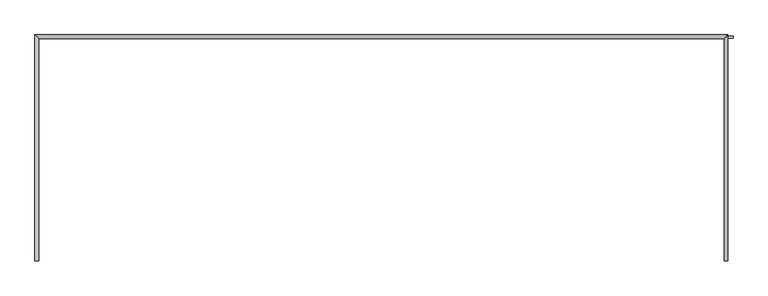
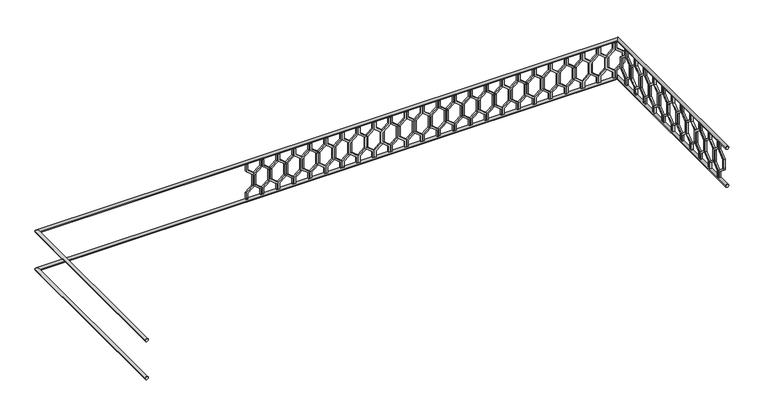
"""IFC4 building model written with IfcOpenShell, lengths in millimetres: railing geometry."""

from ifc_helpers import new_model, si_unit, frame, origin, place, context, project, spatial, polyline, circle_curve, ellipse_curve, outline, extrude, source, transform, mapped, element, save
from ifc_brep_helpers import plane_surface, cylinder_surface, advanced_brep


def railing_7b67fbbc(model_context):
    return source(origin(), model_context, "Body", "SolidModel", [
        advanced_brep(
        [(42360.0112841, 903.1079487, 18780.0), (42320.0112841, 903.1079487, 18780.0), (42320.0112841, 3283.1079487, 18780.0), (42360.0112841, 3243.1079487, 18780.0), (49600.0112841, 3283.1079487, 18780.0), (49560.0112841, 3243.1079487, 18780.0), (49560.0112841, 903.1079487, 18780.0), (49600.0112841, 903.1079487, 18780.0)],
        [
            (0, 1, circle_curve(frame((42340.0112841, 903.1079487, 18780.0), z_axis=(0.0, -1.0, 0.0), x_axis=(-1.0, 0.0, 0.0)), 20.0)),
            (1, 0, circle_curve(frame((42340.0112841, 903.1079487, 18780.0), z_axis=(0.0, -1.0, 0.0), x_axis=(-1.0, 0.0, 0.0)), 20.0)),
            (1, 2),
            (2, 3, ellipse_curve(frame((42340.0112841, 3263.1079487, 18780.0), z_axis=(-0.7071067811865475, -0.7071067811865476, 0.0), x_axis=(0.7071067811865476, -0.7071067811865475, 0.0)), 28.2842712, 20.0)),
            (3, 0),
            (3, 2, ellipse_curve(frame((42340.0112841, 3263.1079487, 18780.0), z_axis=(-0.7071067811865475, -0.7071067811865476, 0.0), x_axis=(0.7071067811865476, -0.7071067811865475, 0.0)), 28.2842712, 20.0)),
            (2, 4),
            (4, 5, ellipse_curve(frame((49580.0112841, 3263.1079487, 18780.0), z_axis=(-0.7071067811865481, 0.7071067811865469, 0.0), x_axis=(-0.7071067811865469, -0.7071067811865481, 0.0)), 28.2842712, 20.0)),
            (5, 3),
            (5, 4, ellipse_curve(frame((49580.0112841, 3263.1079487, 18780.0), z_axis=(-0.7071067811865481, 0.7071067811865469, 0.0), x_axis=(-0.7071067811865469, -0.7071067811865481, 0.0)), 28.2842712, 20.0)),
            (6, 7, circle_curve(frame((49580.0112841, 903.1079487, 18780.0), z_axis=(0.0, -1.0, 0.0), x_axis=(1.0, 0.0, 0.0)), 20.0)),
            (7, 6, circle_curve(frame((49580.0112841, 903.1079487, 18780.0), z_axis=(0.0, -1.0, 0.0), x_axis=(1.0, 0.0, 0.0)), 20.0)),
            (4, 7),
            (6, 5),
        ],
        [
            plane_surface(frame((42340.0112841, 903.1079487, 18800.0), z_axis=(0.0, -1.0, 0.0), x_axis=(0.0, 0.0, 1.0))),
            cylinder_surface(frame((42340.0112841, 903.1079487, 18780.0), z_axis=(0.0, -1.0, 0.0), x_axis=(-1.0, 0.0, 0.0)), 20.0),
            cylinder_surface(frame((42340.0112841, 3263.1079487, 18780.0), z_axis=(-1.0, 0.0, 0.0), x_axis=(0.0, 1.0, 0.0)), 20.0),
            plane_surface(frame((49580.0112841, 903.1079487, 18800.0), z_axis=(0.0, -1.0, 0.0), x_axis=(0.0, 0.0, -1.0))),
            cylinder_surface(frame((49580.0112841, 3263.1079487, 18780.0), z_axis=(0.0, 1.0, 0.0), x_axis=(1.0, 0.0, 0.0)), 20.0),
        ],
        [
            (0, [[1, 2]]),
            (1, [[-2, 3, 4, 5]]),
            (1, [[-1, -5, 6, -3]]),
            (2, [[-4, 7, 8, 9]]),
            (2, [[-6, -9, 10, -7]]),
            (3, [[11, 12]]),
            (4, [[-8, 13, -11, 14]]),
            (4, [[-10, -14, -12, -13]]),
        ],
    ),
        advanced_brep(
        [(42360.0112841, 903.1079487, 18280.0), (42320.0112841, 903.1079487, 18280.0), (42320.0112841, 3283.1079487, 18280.0), (42360.0112841, 3243.1079487, 18280.0), (49600.0112841, 3283.1079487, 18280.0), (49560.0112841, 3243.1079487, 18280.0), (49560.0112841, 903.1079487, 18280.0), (49600.0112841, 903.1079487, 18280.0)],
        [
            (0, 1, circle_curve(frame((42340.0112841, 903.1079487, 18280.0), z_axis=(0.0, -1.0, 0.0), x_axis=(-1.0, 0.0, 0.0)), 20.0)),
            (1, 0, circle_curve(frame((42340.0112841, 903.1079487, 18280.0), z_axis=(0.0, -1.0, 0.0), x_axis=(-1.0, 0.0, 0.0)), 20.0)),
            (1, 2),
            (2, 3, ellipse_curve(frame((42340.0112841, 3263.1079487, 18280.0), z_axis=(-0.7071067811865475, -0.7071067811865476, 0.0), x_axis=(0.7071067811865476, -0.7071067811865475, 0.0)), 28.2842712, 20.0)),
            (3, 0),
            (3, 2, ellipse_curve(frame((42340.0112841, 3263.1079487, 18280.0), z_axis=(-0.7071067811865475, -0.7071067811865476, 0.0), x_axis=(0.7071067811865476, -0.7071067811865475, 0.0)), 28.2842712, 20.0)),
            (2, 4),
            (4, 5, ellipse_curve(frame((49580.0112841, 3263.1079487, 18280.0), z_axis=(-0.7071067811865481, 0.7071067811865469, 0.0), x_axis=(-0.7071067811865469, -0.7071067811865481, 0.0)), 28.2842712, 20.0)),
            (5, 3),
            (5, 4, ellipse_curve(frame((49580.0112841, 3263.1079487, 18280.0), z_axis=(-0.7071067811865481, 0.7071067811865469, 0.0), x_axis=(-0.7071067811865469, -0.7071067811865481, 0.0)), 28.2842712, 20.0)),
            (6, 7, circle_curve(frame((49580.0112841, 903.1079487, 18280.0), z_axis=(0.0, -1.0, 0.0), x_axis=(1.0, 0.0, 0.0)), 20.0)),
            (7, 6, circle_curve(frame((49580.0112841, 903.1079487, 18280.0), z_axis=(0.0, -1.0, 0.0), x_axis=(1.0, 0.0, 0.0)), 20.0)),
            (4, 7),
            (6, 5),
        ],
        [
            plane_surface(frame((42340.0112841, 903.1079487, 18300.0), z_axis=(0.0, -1.0, 0.0), x_axis=(0.0, 0.0, 1.0))),
            cylinder_surface(frame((42340.0112841, 903.1079487, 18280.0), z_axis=(0.0, -1.0, 0.0), x_axis=(-1.0, 0.0, 0.0)), 20.0),
            cylinder_surface(frame((42340.0112841, 3263.1079487, 18280.0), z_axis=(-1.0, 0.0, 0.0), x_axis=(0.0, 1.0, 0.0)), 20.0),
            plane_surface(frame((49580.0112841, 903.1079487, 18300.0), z_axis=(0.0, -1.0, 0.0), x_axis=(0.0, 0.0, -1.0))),
            cylinder_surface(frame((49580.0112841, 3263.1079487, 18280.0), z_axis=(0.0, 1.0, 0.0), x_axis=(1.0, 0.0, 0.0)), 20.0),
        ],
        [
            (0, [[1, 2]]),
            (1, [[-2, 3, 4, 5]]),
            (1, [[-1, -5, 6, -3]]),
            (2, [[-4, 7, 8, 9]]),
            (2, [[-6, -9, 10, -7]]),
            (3, [[11, 12]]),
            (4, [[-8, 13, -11, 14]]),
            (4, [[-10, -14, -12, -13]]),
        ],
    ),
        extrude(outline(polyline([(1068.1079487, 18760.0), (1068.1079487, 18670.448155), (969.1129993, 18590.448155), (969.1129993, 18469.551845), (1068.1079487, 18389.551845), (1068.1079487, 18300.0), (1048.1079487, 18300.0), (1048.1079487, 18380.0), (949.1129993, 18460.0), (949.1129993, 18600.0), (1048.1079487, 18680.0), (1048.1079487, 18760.0), (1068.1079487, 18760.0)])), frame((49565.0112841, 0.0, 0.0), z_axis=(1.0, 0.0, 0.0), x_axis=(0.0, 1.0, 0.0)), (0.0, 0.0, 1.0), 20.0),
        extrude(outline(polyline([(1068.1079487, 18760.0), (1088.1079487, 18760.0), (1088.1079487, 18680.0), (1187.102898, 18600.0), (1187.102898, 18460.0), (1088.1079487, 18380.0), (1088.1079487, 18300.0), (1068.1079487, 18300.0), (1068.1079487, 18389.551845), (1167.102898, 18469.551845), (1167.102898, 18590.448155), (1068.1079487, 18670.448155), (1068.1079487, 18760.0)])), frame((49565.0112841, 0.0, 0.0), z_axis=(1.0, 0.0, 0.0), x_axis=(0.0, 1.0, 0.0)), (0.0, 0.0, 1.0), 20.0),
        extrude(outline(polyline([(1268.1079487, 18760.0), (1268.1079487, 18670.448155), (1169.1129993, 18590.448155), (1169.1129993, 18469.551845), (1268.1079487, 18389.551845), (1268.1079487, 18300.0), (1248.1079487, 18300.0), (1248.1079487, 18380.0), (1149.1129993, 18460.0), (1149.1129993, 18600.0), (1248.1079487, 18680.0), (1248.1079487, 18760.0), (1268.1079487, 18760.0)])), frame((49565.0112841, 0.0, 0.0), z_axis=(1.0, 0.0, 0.0), x_axis=(0.0, 1.0, 0.0)), (0.0, 0.0, 1.0), 20.0),
        extrude(outline(polyline([(1268.1079487, 18760.0), (1288.1079487, 18760.0), (1288.1079487, 18680.0), (1387.102898, 18600.0), (1387.102898, 18460.0), (1288.1079487, 18380.0), (1288.1079487, 18300.0), (1268.1079487, 18300.0), (1268.1079487, 18389.551845), (1367.102898, 18469.551845), (1367.102898, 18590.448155), (1268.1079487, 18670.448155), (1268.1079487, 18760.0)])), frame((49565.0112841, 0.0, 0.0), z_axis=(1.0, 0.0, 0.0), x_axis=(0.0, 1.0, 0.0)), (0.0, 0.0, 1.0), 20.0),
        extrude(outline(polyline([(1468.1079487, 18760.0), (1468.1079487, 18670.448155), (1369.1129993, 18590.448155), (1369.1129993, 18469.551845), (1468.1079487, 18389.551845), (1468.1079487, 18300.0), (1448.1079487, 18300.0), (1448.1079487, 18380.0), (1349.1129993, 18460.0), (1349.1129993, 18600.0), (1448.1079487, 18680.0), (1448.1079487, 18760.0), (1468.1079487, 18760.0)])), frame((49565.0112841, 0.0, 0.0), z_axis=(1.0, 0.0, 0.0), x_axis=(0.0, 1.0, 0.0)), (0.0, 0.0, 1.0), 20.0),
        extrude(outline(polyline([(1468.1079487, 18760.0), (1488.1079487, 18760.0), (1488.1079487, 18680.0), (1587.102898, 18600.0), (1587.102898, 18460.0), (1488.1079487, 18380.0), (1488.1079487, 18300.0), (1468.1079487, 18300.0), (1468.1079487, 18389.551845), (1567.102898, 18469.551845), (1567.102898, 18590.448155), (1468.1079487, 18670.448155), (1468.1079487, 18760.0)])), frame((49565.0112841, 0.0, 0.0), z_axis=(1.0, 0.0, 0.0), x_axis=(0.0, 1.0, 0.0)), (0.0, 0.0, 1.0), 20.0),
        extrude(outline(polyline([(1668.1079487, 18760.0), (1668.1079487, 18670.448155), (1569.1129993, 18590.448155), (1569.1129993, 18469.551845), (1668.1079487, 18389.551845), (1668.1079487, 18300.0), (1648.1079487, 18300.0), (1648.1079487, 18380.0), (1549.1129993, 18460.0), (1549.1129993, 18600.0), (1648.1079487, 18680.0), (1648.1079487, 18760.0), (1668.1079487, 18760.0)])), frame((49565.0112841, 0.0, 0.0), z_axis=(1.0, 0.0, 0.0), x_axis=(0.0, 1.0, 0.0)), (0.0, 0.0, 1.0), 20.0),
        extrude(outline(polyline([(1668.1079487, 18760.0), (1688.1079487, 18760.0), (1688.1079487, 18680.0), (1787.102898, 18600.0), (1787.102898, 18460.0), (1688.1079487, 18380.0), (1688.1079487, 18300.0), (1668.1079487, 18300.0), (1668.1079487, 18389.551845), (1767.102898, 18469.551845), (1767.102898, 18590.448155), (1668.1079487, 18670.448155), (1668.1079487, 18760.0)])), frame((49565.0112841, 0.0, 0.0), z_axis=(1.0, 0.0, 0.0), x_axis=(0.0, 1.0, 0.0)), (0.0, 0.0, 1.0), 20.0),
        extrude(outline(polyline([(1868.1079487, 18760.0), (1868.1079487, 18670.448155), (1769.1129993, 18590.448155), (1769.1129993, 18469.551845), (1868.1079487, 18389.551845), (1868.1079487, 18300.0), (1848.1079487, 18300.0), (1848.1079487, 18380.0), (1749.1129993, 18460.0), (1749.1129993, 18600.0), (1848.1079487, 18680.0), (1848.1079487, 18760.0), (1868.1079487, 18760.0)])), frame((49565.0112841, 0.0, 0.0), z_axis=(1.0, 0.0, 0.0), x_axis=(0.0, 1.0, 0.0)), (0.0, 0.0, 1.0), 20.0),
        extrude(outline(polyline([(1868.1079487, 18760.0), (1888.1079487, 18760.0), (1888.1079487, 18680.0), (1987.102898, 18600.0), (1987.102898, 18460.0), (1888.1079487, 18380.0), (1888.1079487, 18300.0), (1868.1079487, 18300.0), (1868.1079487, 18389.551845), (1967.102898, 18469.551845), (1967.102898, 18590.448155), (1868.1079487, 18670.448155), (1868.1079487, 18760.0)])), frame((49565.0112841, 0.0, 0.0), z_axis=(1.0, 0.0, 0.0), x_axis=(0.0, 1.0, 0.0)), (0.0, 0.0, 1.0), 20.0),
        extrude(outline(polyline([(2068.1079487, 18760.0), (2068.1079487, 18670.448155), (1969.1129993, 18590.448155), (1969.1129993, 18469.551845), (2068.1079487, 18389.551845), (2068.1079487, 18300.0), (2048.1079487, 18300.0), (2048.1079487, 18380.0), (1949.1129993, 18460.0), (1949.1129993, 18600.0), (2048.1079487, 18680.0), (2048.1079487, 18760.0), (2068.1079487, 18760.0)])), frame((49565.0112841, 0.0, 0.0), z_axis=(1.0, 0.0, 0.0), x_axis=(0.0, 1.0, 0.0)), (0.0, 0.0, 1.0), 20.0),
        extrude(outline(polyline([(2068.1079487, 18760.0), (2088.1079487, 18760.0), (2088.1079487, 18680.0), (2187.102898, 18600.0), (2187.102898, 18460.0), (2088.1079487, 18380.0), (2088.1079487, 18300.0), (2068.1079487, 18300.0), (2068.1079487, 18389.551845), (2167.102898, 18469.551845), (2167.102898, 18590.448155), (2068.1079487, 18670.448155), (2068.1079487, 18760.0)])), frame((49565.0112841, 0.0, 0.0), z_axis=(1.0, 0.0, 0.0), x_axis=(0.0, 1.0, 0.0)), (0.0, 0.0, 1.0), 20.0),
        extrude(outline(polyline([(2268.1079487, 18760.0), (2268.1079487, 18670.448155), (2169.1129993, 18590.448155), (2169.1129993, 18469.551845), (2268.1079487, 18389.551845), (2268.1079487, 18300.0), (2248.1079487, 18300.0), (2248.1079487, 18380.0), (2149.1129993, 18460.0), (2149.1129993, 18600.0), (2248.1079487, 18680.0), (2248.1079487, 18760.0), (2268.1079487, 18760.0)])), frame((49565.0112841, 0.0, 0.0), z_axis=(1.0, 0.0, 0.0), x_axis=(0.0, 1.0, 0.0)), (0.0, 0.0, 1.0), 20.0),
        extrude(outline(polyline([(2268.1079487, 18760.0), (2288.1079487, 18760.0), (2288.1079487, 18680.0), (2387.102898, 18600.0), (2387.102898, 18460.0), (2288.1079487, 18380.0), (2288.1079487, 18300.0), (2268.1079487, 18300.0), (2268.1079487, 18389.551845), (2367.102898, 18469.551845), (2367.102898, 18590.448155), (2268.1079487, 18670.448155), (2268.1079487, 18760.0)])), frame((49565.0112841, 0.0, 0.0), z_axis=(1.0, 0.0, 0.0), x_axis=(0.0, 1.0, 0.0)), (0.0, 0.0, 1.0), 20.0),
        extrude(outline(polyline([(2468.1079487, 18760.0), (2468.1079487, 18670.448155), (2369.1129993, 18590.448155), (2369.1129993, 18469.551845), (2468.1079487, 18389.551845), (2468.1079487, 18300.0), (2448.1079487, 18300.0), (2448.1079487, 18380.0), (2349.1129993, 18460.0), (2349.1129993, 18600.0), (2448.1079487, 18680.0), (2448.1079487, 18760.0), (2468.1079487, 18760.0)])), frame((49565.0112841, 0.0, 0.0), z_axis=(1.0, 0.0, 0.0), x_axis=(0.0, 1.0, 0.0)), (0.0, 0.0, 1.0), 20.0),
        extrude(outline(polyline([(2468.1079487, 18760.0), (2488.1079487, 18760.0), (2488.1079487, 18680.0), (2587.102898, 18600.0), (2587.102898, 18460.0), (2488.1079487, 18380.0), (2488.1079487, 18300.0), (2468.1079487, 18300.0), (2468.1079487, 18389.551845), (2567.102898, 18469.551845), (2567.102898, 18590.448155), (2468.1079487, 18670.448155), (2468.1079487, 18760.0)])), frame((49565.0112841, 0.0, 0.0), z_axis=(1.0, 0.0, 0.0), x_axis=(0.0, 1.0, 0.0)), (0.0, 0.0, 1.0), 20.0),
        extrude(outline(polyline([(2668.1079487, 18760.0), (2668.1079487, 18670.448155), (2569.1129993, 18590.448155), (2569.1129993, 18469.551845), (2668.1079487, 18389.551845), (2668.1079487, 18300.0), (2648.1079487, 18300.0), (2648.1079487, 18380.0), (2549.1129993, 18460.0), (2549.1129993, 18600.0), (2648.1079487, 18680.0), (2648.1079487, 18760.0), (2668.1079487, 18760.0)])), frame((49565.0112841, 0.0, 0.0), z_axis=(1.0, 0.0, 0.0), x_axis=(0.0, 1.0, 0.0)), (0.0, 0.0, 1.0), 20.0),
        extrude(outline(polyline([(2668.1079487, 18760.0), (2688.1079487, 18760.0), (2688.1079487, 18680.0), (2787.102898, 18600.0), (2787.102898, 18460.0), (2688.1079487, 18380.0), (2688.1079487, 18300.0), (2668.1079487, 18300.0), (2668.1079487, 18389.551845), (2767.102898, 18469.551845), (2767.102898, 18590.448155), (2668.1079487, 18670.448155), (2668.1079487, 18760.0)])), frame((49565.0112841, 0.0, 0.0), z_axis=(1.0, 0.0, 0.0), x_axis=(0.0, 1.0, 0.0)), (0.0, 0.0, 1.0), 20.0),
        extrude(outline(polyline([(2868.1079487, 18760.0), (2868.1079487, 18670.448155), (2769.1129993, 18590.448155), (2769.1129993, 18469.551845), (2868.1079487, 18389.551845), (2868.1079487, 18300.0), (2848.1079487, 18300.0), (2848.1079487, 18380.0), (2749.1129993, 18460.0), (2749.1129993, 18600.0), (2848.1079487, 18680.0), (2848.1079487, 18760.0), (2868.1079487, 18760.0)])), frame((49565.0112841, 0.0, 0.0), z_axis=(1.0, 0.0, 0.0), x_axis=(0.0, 1.0, 0.0)), (0.0, 0.0, 1.0), 20.0),
        extrude(outline(polyline([(2868.1079487, 18760.0), (2888.1079487, 18760.0), (2888.1079487, 18680.0), (2987.102898, 18600.0), (2987.102898, 18460.0), (2888.1079487, 18380.0), (2888.1079487, 18300.0), (2868.1079487, 18300.0), (2868.1079487, 18389.551845), (2967.102898, 18469.551845), (2967.102898, 18590.448155), (2868.1079487, 18670.448155), (2868.1079487, 18760.0)])), frame((49565.0112841, 0.0, 0.0), z_axis=(1.0, 0.0, 0.0), x_axis=(0.0, 1.0, 0.0)), (0.0, 0.0, 1.0), 20.0),
        extrude(outline(polyline([(3068.1079487, 18760.0), (3068.1079487, 18670.448155), (2969.1129993, 18590.448155), (2969.1129993, 18469.551845), (3068.1079487, 18389.551845), (3068.1079487, 18300.0), (3048.1079487, 18300.0), (3048.1079487, 18380.0), (2949.1129993, 18460.0), (2949.1129993, 18600.0), (3048.1079487, 18680.0), (3048.1079487, 18760.0), (3068.1079487, 18760.0)])), frame((49565.0112841, 0.0, 0.0), z_axis=(1.0, 0.0, 0.0), x_axis=(0.0, 1.0, 0.0)), (0.0, 0.0, 1.0), 20.0),
        extrude(outline(polyline([(3068.1079487, 18760.0), (3088.1079487, 18760.0), (3088.1079487, 18680.0), (3187.102898, 18600.0), (3187.102898, 18460.0), (3088.1079487, 18380.0), (3088.1079487, 18300.0), (3068.1079487, 18300.0), (3068.1079487, 18389.551845), (3167.102898, 18469.551845), (3167.102898, 18590.448155), (3068.1079487, 18670.448155), (3068.1079487, 18760.0)])), frame((49565.0112841, 0.0, 0.0), z_axis=(1.0, 0.0, 0.0), x_axis=(0.0, 1.0, 0.0)), (0.0, 0.0, 1.0), 20.0),
        extrude(outline(polyline([(18760.0, 49535.0112841), (18670.448155, 49535.0112841), (18590.448155, 49634.0062335), (18469.551845, 49634.0062335), (18389.551845, 49535.0112841), (18300.0, 49535.0112841), (18300.0, 49555.0112841), (18380.0, 49555.0112841), (18460.0, 49654.0062335), (18600.0, 49654.0062335), (18680.0, 49555.0112841), (18760.0, 49555.0112841), (18760.0, 49535.0112841)])), frame((0.0, 3248.1079487, 0.0), z_axis=(0.0, 1.0, 0.0), x_axis=(0.0, 0.0, 1.0)), (0.0, 0.0, 1.0), 20.0),
        extrude(outline(polyline([(18760.0, 49535.0112841), (18760.0, 49515.0112841), (18680.0, 49515.0112841), (18600.0, 49416.0163347), (18460.0, 49416.0163347), (18380.0, 49515.0112841), (18300.0, 49515.0112841), (18300.0, 49535.0112841), (18389.551845, 49535.0112841), (18469.551845, 49436.0163347), (18590.448155, 49436.0163347), (18670.448155, 49535.0112841), (18760.0, 49535.0112841)])), frame((0.0, 3248.1079487, 0.0), z_axis=(0.0, 1.0, 0.0), x_axis=(0.0, 0.0, 1.0)), (0.0, 0.0, 1.0), 20.0),
        extrude(outline(polyline([(18760.0, 49335.0112841), (18670.448155, 49335.0112841), (18590.448155, 49434.0062335), (18469.551845, 49434.0062335), (18389.551845, 49335.0112841), (18300.0, 49335.0112841), (18300.0, 49355.0112841), (18380.0, 49355.0112841), (18460.0, 49454.0062335), (18600.0, 49454.0062335), (18680.0, 49355.0112841), (18760.0, 49355.0112841), (18760.0, 49335.0112841)])), frame((0.0, 3248.1079487, 0.0), z_axis=(0.0, 1.0, 0.0), x_axis=(0.0, 0.0, 1.0)), (0.0, 0.0, 1.0), 20.0),
        extrude(outline(polyline([(18760.0, 49335.0112841), (18760.0, 49315.0112841), (18680.0, 49315.0112841), (18600.0, 49216.0163347), (18460.0, 49216.0163347), (18380.0, 49315.0112841), (18300.0, 49315.0112841), (18300.0, 49335.0112841), (18389.551845, 49335.0112841), (18469.551845, 49236.0163347), (18590.448155, 49236.0163347), (18670.448155, 49335.0112841), (18760.0, 49335.0112841)])), frame((0.0, 3248.1079487, 0.0), z_axis=(0.0, 1.0, 0.0), x_axis=(0.0, 0.0, 1.0)), (0.0, 0.0, 1.0), 20.0),
        extrude(outline(polyline([(18760.0, 49135.0112841), (18670.448155, 49135.0112841), (18590.448155, 49234.0062335), (18469.551845, 49234.0062335), (18389.551845, 49135.0112841), (18300.0, 49135.0112841), (18300.0, 49155.0112841), (18380.0, 49155.0112841), (18460.0, 49254.0062335), (18600.0, 49254.0062335), (18680.0, 49155.0112841), (18760.0, 49155.0112841), (18760.0, 49135.0112841)])), frame((0.0, 3248.1079487, 0.0), z_axis=(0.0, 1.0, 0.0), x_axis=(0.0, 0.0, 1.0)), (0.0, 0.0, 1.0), 20.0),
        extrude(outline(polyline([(18760.0, 49135.0112841), (18760.0, 49115.0112841), (18680.0, 49115.0112841), (18600.0, 49016.0163347), (18460.0, 49016.0163347), (18380.0, 49115.0112841), (18300.0, 49115.0112841), (18300.0, 49135.0112841), (18389.551845, 49135.0112841), (18469.551845, 49036.0163347), (18590.448155, 49036.0163347), (18670.448155, 49135.0112841), (18760.0, 49135.0112841)])), frame((0.0, 3248.1079487, 0.0), z_axis=(0.0, 1.0, 0.0), x_axis=(0.0, 0.0, 1.0)), (0.0, 0.0, 1.0), 20.0),
        extrude(outline(polyline([(18760.0, 48935.0112841), (18670.448155, 48935.0112841), (18590.448155, 49034.0062335), (18469.551845, 49034.0062335), (18389.551845, 48935.0112841), (18300.0, 48935.0112841), (18300.0, 48955.0112841), (18380.0, 48955.0112841), (18460.0, 49054.0062335), (18600.0, 49054.0062335), (18680.0, 48955.0112841), (18760.0, 48955.0112841), (18760.0, 48935.0112841)])), frame((0.0, 3248.1079487, 0.0), z_axis=(0.0, 1.0, 0.0), x_axis=(0.0, 0.0, 1.0)), (0.0, 0.0, 1.0), 20.0),
        extrude(outline(polyline([(18760.0, 48935.0112841), (18760.0, 48915.0112841), (18680.0, 48915.0112841), (18600.0, 48816.0163347), (18460.0, 48816.0163347), (18380.0, 48915.0112841), (18300.0, 48915.0112841), (18300.0, 48935.0112841), (18389.551845, 48935.0112841), (18469.551845, 48836.0163347), (18590.448155, 48836.0163347), (18670.448155, 48935.0112841), (18760.0, 48935.0112841)])), frame((0.0, 3248.1079487, 0.0), z_axis=(0.0, 1.0, 0.0), x_axis=(0.0, 0.0, 1.0)), (0.0, 0.0, 1.0), 20.0),
        extrude(outline(polyline([(18760.0, 48735.0112841), (18670.448155, 48735.0112841), (18590.448155, 48834.0062335), (18469.551845, 48834.0062335), (18389.551845, 48735.0112841), (18300.0, 48735.0112841), (18300.0, 48755.0112841), (18380.0, 48755.0112841), (18460.0, 48854.0062335), (18600.0, 48854.0062335), (18680.0, 48755.0112841), (18760.0, 48755.0112841), (18760.0, 48735.0112841)])), frame((0.0, 3248.1079487, 0.0), z_axis=(0.0, 1.0, 0.0), x_axis=(0.0, 0.0, 1.0)), (0.0, 0.0, 1.0), 20.0),
        extrude(outline(polyline([(18760.0, 48735.0112841), (18760.0, 48715.0112841), (18680.0, 48715.0112841), (18600.0, 48616.0163347), (18460.0, 48616.0163347), (18380.0, 48715.0112841), (18300.0, 48715.0112841), (18300.0, 48735.0112841), (18389.551845, 48735.0112841), (18469.551845, 48636.0163347), (18590.448155, 48636.0163347), (18670.448155, 48735.0112841), (18760.0, 48735.0112841)])), frame((0.0, 3248.1079487, 0.0), z_axis=(0.0, 1.0, 0.0), x_axis=(0.0, 0.0, 1.0)), (0.0, 0.0, 1.0), 20.0),
        extrude(outline(polyline([(18760.0, 48535.0112841), (18670.448155, 48535.0112841), (18590.448155, 48634.0062335), (18469.551845, 48634.0062335), (18389.551845, 48535.0112841), (18300.0, 48535.0112841), (18300.0, 48555.0112841), (18380.0, 48555.0112841), (18460.0, 48654.0062335), (18600.0, 48654.0062335), (18680.0, 48555.0112841), (18760.0, 48555.0112841), (18760.0, 48535.0112841)])), frame((0.0, 3248.1079487, 0.0), z_axis=(0.0, 1.0, 0.0), x_axis=(0.0, 0.0, 1.0)), (0.0, 0.0, 1.0), 20.0),
        extrude(outline(polyline([(18760.0, 48535.0112841), (18760.0, 48515.0112841), (18680.0, 48515.0112841), (18600.0, 48416.0163347), (18460.0, 48416.0163347), (18380.0, 48515.0112841), (18300.0, 48515.0112841), (18300.0, 48535.0112841), (18389.551845, 48535.0112841), (18469.551845, 48436.0163347), (18590.448155, 48436.0163347), (18670.448155, 48535.0112841), (18760.0, 48535.0112841)])), frame((0.0, 3248.1079487, 0.0), z_axis=(0.0, 1.0, 0.0), x_axis=(0.0, 0.0, 1.0)), (0.0, 0.0, 1.0), 20.0),
        extrude(outline(polyline([(18760.0, 48335.0112841), (18670.448155, 48335.0112841), (18590.448155, 48434.0062335), (18469.551845, 48434.0062335), (18389.551845, 48335.0112841), (18300.0, 48335.0112841), (18300.0, 48355.0112841), (18380.0, 48355.0112841), (18460.0, 48454.0062335), (18600.0, 48454.0062335), (18680.0, 48355.0112841), (18760.0, 48355.0112841), (18760.0, 48335.0112841)])), frame((0.0, 3248.1079487, 0.0), z_axis=(0.0, 1.0, 0.0), x_axis=(0.0, 0.0, 1.0)), (0.0, 0.0, 1.0), 20.0),
        extrude(outline(polyline([(18760.0, 48335.0112841), (18760.0, 48315.0112841), (18680.0, 48315.0112841), (18600.0, 48216.0163347), (18460.0, 48216.0163347), (18380.0, 48315.0112841), (18300.0, 48315.0112841), (18300.0, 48335.0112841), (18389.551845, 48335.0112841), (18469.551845, 48236.0163347), (18590.448155, 48236.0163347), (18670.448155, 48335.0112841), (18760.0, 48335.0112841)])), frame((0.0, 3248.1079487, 0.0), z_axis=(0.0, 1.0, 0.0), x_axis=(0.0, 0.0, 1.0)), (0.0, 0.0, 1.0), 20.0),
        extrude(outline(polyline([(18760.0, 48135.0112841), (18670.448155, 48135.0112841), (18590.448155, 48234.0062335), (18469.551845, 48234.0062335), (18389.551845, 48135.0112841), (18300.0, 48135.0112841), (18300.0, 48155.0112841), (18380.0, 48155.0112841), (18460.0, 48254.0062335), (18600.0, 48254.0062335), (18680.0, 48155.0112841), (18760.0, 48155.0112841), (18760.0, 48135.0112841)])), frame((0.0, 3248.1079487, 0.0), z_axis=(0.0, 1.0, 0.0), x_axis=(0.0, 0.0, 1.0)), (0.0, 0.0, 1.0), 20.0),
        extrude(outline(polyline([(18760.0, 48135.0112841), (18760.0, 48115.0112841), (18680.0, 48115.0112841), (18600.0, 48016.0163347), (18460.0, 48016.0163347), (18380.0, 48115.0112841), (18300.0, 48115.0112841), (18300.0, 48135.0112841), (18389.551845, 48135.0112841), (18469.551845, 48036.0163347), (18590.448155, 48036.0163347), (18670.448155, 48135.0112841), (18760.0, 48135.0112841)])), frame((0.0, 3248.1079487, 0.0), z_axis=(0.0, 1.0, 0.0), x_axis=(0.0, 0.0, 1.0)), (0.0, 0.0, 1.0), 20.0),
        extrude(outline(polyline([(18760.0, 47935.0112841), (18670.448155, 47935.0112841), (18590.448155, 48034.0062335), (18469.551845, 48034.0062335), (18389.551845, 47935.0112841), (18300.0, 47935.0112841), (18300.0, 47955.0112841), (18380.0, 47955.0112841), (18460.0, 48054.0062335), (18600.0, 48054.0062335), (18680.0, 47955.0112841), (18760.0, 47955.0112841), (18760.0, 47935.0112841)])), frame((0.0, 3248.1079487, 0.0), z_axis=(0.0, 1.0, 0.0), x_axis=(0.0, 0.0, 1.0)), (0.0, 0.0, 1.0), 20.0),
        extrude(outline(polyline([(18760.0, 47935.0112841), (18760.0, 47915.0112841), (18680.0, 47915.0112841), (18600.0, 47816.0163347), (18460.0, 47816.0163347), (18380.0, 47915.0112841), (18300.0, 47915.0112841), (18300.0, 47935.0112841), (18389.551845, 47935.0112841), (18469.551845, 47836.0163347), (18590.448155, 47836.0163347), (18670.448155, 47935.0112841), (18760.0, 47935.0112841)])), frame((0.0, 3248.1079487, 0.0), z_axis=(0.0, 1.0, 0.0), x_axis=(0.0, 0.0, 1.0)), (0.0, 0.0, 1.0), 20.0),
        extrude(outline(polyline([(18760.0, 47735.0112841), (18670.448155, 47735.0112841), (18590.448155, 47834.0062335), (18469.551845, 47834.0062335), (18389.551845, 47735.0112841), (18300.0, 47735.0112841), (18300.0, 47755.0112841), (18380.0, 47755.0112841), (18460.0, 47854.0062335), (18600.0, 47854.0062335), (18680.0, 47755.0112841), (18760.0, 47755.0112841), (18760.0, 47735.0112841)])), frame((0.0, 3248.1079487, 0.0), z_axis=(0.0, 1.0, 0.0), x_axis=(0.0, 0.0, 1.0)), (0.0, 0.0, 1.0), 20.0),
        extrude(outline(polyline([(18760.0, 47735.0112841), (18760.0, 47715.0112841), (18680.0, 47715.0112841), (18600.0, 47616.0163347), (18460.0, 47616.0163347), (18380.0, 47715.0112841), (18300.0, 47715.0112841), (18300.0, 47735.0112841), (18389.551845, 47735.0112841), (18469.551845, 47636.0163347), (18590.448155, 47636.0163347), (18670.448155, 47735.0112841), (18760.0, 47735.0112841)])), frame((0.0, 3248.1079487, 0.0), z_axis=(0.0, 1.0, 0.0), x_axis=(0.0, 0.0, 1.0)), (0.0, 0.0, 1.0), 20.0),
        extrude(outline(polyline([(18760.0, 47535.0112841), (18670.448155, 47535.0112841), (18590.448155, 47634.0062335), (18469.551845, 47634.0062335), (18389.551845, 47535.0112841), (18300.0, 47535.0112841), (18300.0, 47555.0112841), (18380.0, 47555.0112841), (18460.0, 47654.0062335), (18600.0, 47654.0062335), (18680.0, 47555.0112841), (18760.0, 47555.0112841), (18760.0, 47535.0112841)])), frame((0.0, 3248.1079487, 0.0), z_axis=(0.0, 1.0, 0.0), x_axis=(0.0, 0.0, 1.0)), (0.0, 0.0, 1.0), 20.0),
        extrude(outline(polyline([(18760.0, 47535.0112841), (18760.0, 47515.0112841), (18680.0, 47515.0112841), (18600.0, 47416.0163347), (18460.0, 47416.0163347), (18380.0, 47515.0112841), (18300.0, 47515.0112841), (18300.0, 47535.0112841), (18389.551845, 47535.0112841), (18469.551845, 47436.0163347), (18590.448155, 47436.0163347), (18670.448155, 47535.0112841), (18760.0, 47535.0112841)])), frame((0.0, 3248.1079487, 0.0), z_axis=(0.0, 1.0, 0.0), x_axis=(0.0, 0.0, 1.0)), (0.0, 0.0, 1.0), 20.0),
        extrude(outline(polyline([(18760.0, 47335.0112841), (18670.448155, 47335.0112841), (18590.448155, 47434.0062335), (18469.551845, 47434.0062335), (18389.551845, 47335.0112841), (18300.0, 47335.0112841), (18300.0, 47355.0112841), (18380.0, 47355.0112841), (18460.0, 47454.0062335), (18600.0, 47454.0062335), (18680.0, 47355.0112841), (18760.0, 47355.0112841), (18760.0, 47335.0112841)])), frame((0.0, 3248.1079487, 0.0), z_axis=(0.0, 1.0, 0.0), x_axis=(0.0, 0.0, 1.0)), (0.0, 0.0, 1.0), 20.0),
        extrude(outline(polyline([(18760.0, 47335.0112841), (18760.0, 47315.0112841), (18680.0, 47315.0112841), (18600.0, 47216.0163347), (18460.0, 47216.0163347), (18380.0, 47315.0112841), (18300.0, 47315.0112841), (18300.0, 47335.0112841), (18389.551845, 47335.0112841), (18469.551845, 47236.0163347), (18590.448155, 47236.0163347), (18670.448155, 47335.0112841), (18760.0, 47335.0112841)])), frame((0.0, 3248.1079487, 0.0), z_axis=(0.0, 1.0, 0.0), x_axis=(0.0, 0.0, 1.0)), (0.0, 0.0, 1.0), 20.0),
        extrude(outline(polyline([(18760.0, 47135.0112841), (18670.448155, 47135.0112841), (18590.448155, 47234.0062335), (18469.551845, 47234.0062335), (18389.551845, 47135.0112841), (18300.0, 47135.0112841), (18300.0, 47155.0112841), (18380.0, 47155.0112841), (18460.0, 47254.0062335), (18600.0, 47254.0062335), (18680.0, 47155.0112841), (18760.0, 47155.0112841), (18760.0, 47135.0112841)])), frame((0.0, 3248.1079487, 0.0), z_axis=(0.0, 1.0, 0.0), x_axis=(0.0, 0.0, 1.0)), (0.0, 0.0, 1.0), 20.0),
        extrude(outline(polyline([(18760.0, 47135.0112841), (18760.0, 47115.0112841), (18680.0, 47115.0112841), (18600.0, 47016.0163347), (18460.0, 47016.0163347), (18380.0, 47115.0112841), (18300.0, 47115.0112841), (18300.0, 47135.0112841), (18389.551845, 47135.0112841), (18469.551845, 47036.0163347), (18590.448155, 47036.0163347), (18670.448155, 47135.0112841), (18760.0, 47135.0112841)])), frame((0.0, 3248.1079487, 0.0), z_axis=(0.0, 1.0, 0.0), x_axis=(0.0, 0.0, 1.0)), (0.0, 0.0, 1.0), 20.0),
        extrude(outline(polyline([(18760.0, 46935.0112841), (18670.448155, 46935.0112841), (18590.448155, 47034.0062335), (18469.551845, 47034.0062335), (18389.551845, 46935.0112841), (18300.0, 46935.0112841), (18300.0, 46955.0112841), (18380.0, 46955.0112841), (18460.0, 47054.0062335), (18600.0, 47054.0062335), (18680.0, 46955.0112841), (18760.0, 46955.0112841), (18760.0, 46935.0112841)])), frame((0.0, 3248.1079487, 0.0), z_axis=(0.0, 1.0, 0.0), x_axis=(0.0, 0.0, 1.0)), (0.0, 0.0, 1.0), 20.0),
        extrude(outline(polyline([(18760.0, 46935.0112841), (18760.0, 46915.0112841), (18680.0, 46915.0112841), (18600.0, 46816.0163347), (18460.0, 46816.0163347), (18380.0, 46915.0112841), (18300.0, 46915.0112841), (18300.0, 46935.0112841), (18389.551845, 46935.0112841), (18469.551845, 46836.0163347), (18590.448155, 46836.0163347), (18670.448155, 46935.0112841), (18760.0, 46935.0112841)])), frame((0.0, 3248.1079487, 0.0), z_axis=(0.0, 1.0, 0.0), x_axis=(0.0, 0.0, 1.0)), (0.0, 0.0, 1.0), 20.0),
        extrude(outline(polyline([(18760.0, 46735.0112841), (18670.448155, 46735.0112841), (18590.448155, 46834.0062335), (18469.551845, 46834.0062335), (18389.551845, 46735.0112841), (18300.0, 46735.0112841), (18300.0, 46755.0112841), (18380.0, 46755.0112841), (18460.0, 46854.0062335), (18600.0, 46854.0062335), (18680.0, 46755.0112841), (18760.0, 46755.0112841), (18760.0, 46735.0112841)])), frame((0.0, 3248.1079487, 0.0), z_axis=(0.0, 1.0, 0.0), x_axis=(0.0, 0.0, 1.0)), (0.0, 0.0, 1.0), 20.0),
        extrude(outline(polyline([(18760.0, 46735.0112841), (18760.0, 46715.0112841), (18680.0, 46715.0112841), (18600.0, 46616.0163347), (18460.0, 46616.0163347), (18380.0, 46715.0112841), (18300.0, 46715.0112841), (18300.0, 46735.0112841), (18389.551845, 46735.0112841), (18469.551845, 46636.0163347), (18590.448155, 46636.0163347), (18670.448155, 46735.0112841), (18760.0, 46735.0112841)])), frame((0.0, 3248.1079487, 0.0), z_axis=(0.0, 1.0, 0.0), x_axis=(0.0, 0.0, 1.0)), (0.0, 0.0, 1.0), 20.0),
        extrude(outline(polyline([(18760.0, 46535.0112841), (18670.448155, 46535.0112841), (18590.448155, 46634.0062335), (18469.551845, 46634.0062335), (18389.551845, 46535.0112841), (18300.0, 46535.0112841), (18300.0, 46555.0112841), (18380.0, 46555.0112841), (18460.0, 46654.0062335), (18600.0, 46654.0062335), (18680.0, 46555.0112841), (18760.0, 46555.0112841), (18760.0, 46535.0112841)])), frame((0.0, 3248.1079487, 0.0), z_axis=(0.0, 1.0, 0.0), x_axis=(0.0, 0.0, 1.0)), (0.0, 0.0, 1.0), 20.0),
        extrude(outline(polyline([(18760.0, 46535.0112841), (18760.0, 46515.0112841), (18680.0, 46515.0112841), (18600.0, 46416.0163347), (18460.0, 46416.0163347), (18380.0, 46515.0112841), (18300.0, 46515.0112841), (18300.0, 46535.0112841), (18389.551845, 46535.0112841), (18469.551845, 46436.0163347), (18590.448155, 46436.0163347), (18670.448155, 46535.0112841), (18760.0, 46535.0112841)])), frame((0.0, 3248.1079487, 0.0), z_axis=(0.0, 1.0, 0.0), x_axis=(0.0, 0.0, 1.0)), (0.0, 0.0, 1.0), 20.0),
        extrude(outline(polyline([(18760.0, 46335.0112841), (18670.448155, 46335.0112841), (18590.448155, 46434.0062335), (18469.551845, 46434.0062335), (18389.551845, 46335.0112841), (18300.0, 46335.0112841), (18300.0, 46355.0112841), (18380.0, 46355.0112841), (18460.0, 46454.0062335), (18600.0, 46454.0062335), (18680.0, 46355.0112841), (18760.0, 46355.0112841), (18760.0, 46335.0112841)])), frame((0.0, 3248.1079487, 0.0), z_axis=(0.0, 1.0, 0.0), x_axis=(0.0, 0.0, 1.0)), (0.0, 0.0, 1.0), 20.0),
        extrude(outline(polyline([(18760.0, 46335.0112841), (18760.0, 46315.0112841), (18680.0, 46315.0112841), (18600.0, 46216.0163347), (18460.0, 46216.0163347), (18380.0, 46315.0112841), (18300.0, 46315.0112841), (18300.0, 46335.0112841), (18389.551845, 46335.0112841), (18469.551845, 46236.0163347), (18590.448155, 46236.0163347), (18670.448155, 46335.0112841), (18760.0, 46335.0112841)])), frame((0.0, 3248.1079487, 0.0), z_axis=(0.0, 1.0, 0.0), x_axis=(0.0, 0.0, 1.0)), (0.0, 0.0, 1.0), 20.0),
        extrude(outline(polyline([(18760.0, 46135.0112841), (18670.448155, 46135.0112841), (18590.448155, 46234.0062335), (18469.551845, 46234.0062335), (18389.551845, 46135.0112841), (18300.0, 46135.0112841), (18300.0, 46155.0112841), (18380.0, 46155.0112841), (18460.0, 46254.0062335), (18600.0, 46254.0062335), (18680.0, 46155.0112841), (18760.0, 46155.0112841), (18760.0, 46135.0112841)])), frame((0.0, 3248.1079487, 0.0), z_axis=(0.0, 1.0, 0.0), x_axis=(0.0, 0.0, 1.0)), (0.0, 0.0, 1.0), 20.0),
        extrude(outline(polyline([(18760.0, 46135.0112841), (18760.0, 46115.0112841), (18680.0, 46115.0112841), (18600.0, 46016.0163347), (18460.0, 46016.0163347), (18380.0, 46115.0112841), (18300.0, 46115.0112841), (18300.0, 46135.0112841), (18389.551845, 46135.0112841), (18469.551845, 46036.0163347), (18590.448155, 46036.0163347), (18670.448155, 46135.0112841), (18760.0, 46135.0112841)])), frame((0.0, 3248.1079487, 0.0), z_axis=(0.0, 1.0, 0.0), x_axis=(0.0, 0.0, 1.0)), (0.0, 0.0, 1.0), 20.0),
        extrude(outline(polyline([(18760.0, 45935.0112841), (18670.448155, 45935.0112841), (18590.448155, 46034.0062335), (18469.551845, 46034.0062335), (18389.551845, 45935.0112841), (18300.0, 45935.0112841), (18300.0, 45955.0112841), (18380.0, 45955.0112841), (18460.0, 46054.0062335), (18600.0, 46054.0062335), (18680.0, 45955.0112841), (18760.0, 45955.0112841), (18760.0, 45935.0112841)])), frame((0.0, 3248.1079487, 0.0), z_axis=(0.0, 1.0, 0.0), x_axis=(0.0, 0.0, 1.0)), (0.0, 0.0, 1.0), 20.0),
        extrude(outline(polyline([(18760.0, 45935.0112841), (18760.0, 45915.0112841), (18680.0, 45915.0112841), (18600.0, 45816.0163347), (18460.0, 45816.0163347), (18380.0, 45915.0112841), (18300.0, 45915.0112841), (18300.0, 45935.0112841), (18389.551845, 45935.0112841), (18469.551845, 45836.0163347), (18590.448155, 45836.0163347), (18670.448155, 45935.0112841), (18760.0, 45935.0112841)])), frame((0.0, 3248.1079487, 0.0), z_axis=(0.0, 1.0, 0.0), x_axis=(0.0, 0.0, 1.0)), (0.0, 0.0, 1.0), 20.0),
        extrude(outline(polyline([(18760.0, 45735.0112841), (18670.448155, 45735.0112841), (18590.448155, 45834.0062335), (18469.551845, 45834.0062335), (18389.551845, 45735.0112841), (18300.0, 45735.0112841), (18300.0, 45755.0112841), (18380.0, 45755.0112841), (18460.0, 45854.0062335), (18600.0, 45854.0062335), (18680.0, 45755.0112841), (18760.0, 45755.0112841), (18760.0, 45735.0112841)])), frame((0.0, 3248.1079487, 0.0), z_axis=(0.0, 1.0, 0.0), x_axis=(0.0, 0.0, 1.0)), (0.0, 0.0, 1.0), 20.0),
        extrude(outline(polyline([(18760.0, 45735.0112841), (18760.0, 45715.0112841), (18680.0, 45715.0112841), (18600.0, 45616.0163347), (18460.0, 45616.0163347), (18380.0, 45715.0112841), (18300.0, 45715.0112841), (18300.0, 45735.0112841), (18389.551845, 45735.0112841), (18469.551845, 45636.0163347), (18590.448155, 45636.0163347), (18670.448155, 45735.0112841), (18760.0, 45735.0112841)])), frame((0.0, 3248.1079487, 0.0), z_axis=(0.0, 1.0, 0.0), x_axis=(0.0, 0.0, 1.0)), (0.0, 0.0, 1.0), 20.0),
        extrude(outline(polyline([(18760.0, 45535.0112841), (18670.448155, 45535.0112841), (18590.448155, 45634.0062335), (18469.551845, 45634.0062335), (18389.551845, 45535.0112841), (18300.0, 45535.0112841), (18300.0, 45555.0112841), (18380.0, 45555.0112841), (18460.0, 45654.0062335), (18600.0, 45654.0062335), (18680.0, 45555.0112841), (18760.0, 45555.0112841), (18760.0, 45535.0112841)])), frame((0.0, 3248.1079487, 0.0), z_axis=(0.0, 1.0, 0.0), x_axis=(0.0, 0.0, 1.0)), (0.0, 0.0, 1.0), 20.0),
        extrude(outline(polyline([(18760.0, 45535.0112841), (18760.0, 45515.0112841), (18680.0, 45515.0112841), (18600.0, 45416.0163347), (18460.0, 45416.0163347), (18380.0, 45515.0112841), (18300.0, 45515.0112841), (18300.0, 45535.0112841), (18389.551845, 45535.0112841), (18469.551845, 45436.0163347), (18590.448155, 45436.0163347), (18670.448155, 45535.0112841), (18760.0, 45535.0112841)])), frame((0.0, 3248.1079487, 0.0), z_axis=(0.0, 1.0, 0.0), x_axis=(0.0, 0.0, 1.0)), (0.0, 0.0, 1.0), 20.0),
        extrude(outline(polyline([(18760.0, 45335.0112841), (18670.448155, 45335.0112841), (18590.448155, 45434.0062335), (18469.551845, 45434.0062335), (18389.551845, 45335.0112841), (18300.0, 45335.0112841), (18300.0, 45355.0112841), (18380.0, 45355.0112841), (18460.0, 45454.0062335), (18600.0, 45454.0062335), (18680.0, 45355.0112841), (18760.0, 45355.0112841), (18760.0, 45335.0112841)])), frame((0.0, 3248.1079487, 0.0), z_axis=(0.0, 1.0, 0.0), x_axis=(0.0, 0.0, 1.0)), (0.0, 0.0, 1.0), 20.0),
        extrude(outline(polyline([(18760.0, 45335.0112841), (18760.0, 45315.0112841), (18680.0, 45315.0112841), (18600.0, 45216.0163347), (18460.0, 45216.0163347), (18380.0, 45315.0112841), (18300.0, 45315.0112841), (18300.0, 45335.0112841), (18389.551845, 45335.0112841), (18469.551845, 45236.0163347), (18590.448155, 45236.0163347), (18670.448155, 45335.0112841), (18760.0, 45335.0112841)])), frame((0.0, 3248.1079487, 0.0), z_axis=(0.0, 1.0, 0.0), x_axis=(0.0, 0.0, 1.0)), (0.0, 0.0, 1.0), 20.0),
        extrude(outline(polyline([(18760.0, 45135.0112841), (18670.448155, 45135.0112841), (18590.448155, 45234.0062335), (18469.551845, 45234.0062335), (18389.551845, 45135.0112841), (18300.0, 45135.0112841), (18300.0, 45155.0112841), (18380.0, 45155.0112841), (18460.0, 45254.0062335), (18600.0, 45254.0062335), (18680.0, 45155.0112841), (18760.0, 45155.0112841), (18760.0, 45135.0112841)])), frame((0.0, 3248.1079487, 0.0), z_axis=(0.0, 1.0, 0.0), x_axis=(0.0, 0.0, 1.0)), (0.0, 0.0, 1.0), 20.0),
        extrude(outline(polyline([(18760.0, 45135.0112841), (18760.0, 45115.0112841), (18680.0, 45115.0112841), (18600.0, 45016.0163347), (18460.0, 45016.0163347), (18380.0, 45115.0112841), (18300.0, 45115.0112841), (18300.0, 45135.0112841), (18389.551845, 45135.0112841), (18469.551845, 45036.0163347), (18590.448155, 45036.0163347), (18670.448155, 45135.0112841), (18760.0, 45135.0112841)])), frame((0.0, 3248.1079487, 0.0), z_axis=(0.0, 1.0, 0.0), x_axis=(0.0, 0.0, 1.0)), (0.0, 0.0, 1.0), 20.0),
        extrude(outline(polyline([(18760.0, 44935.0112841), (18670.448155, 44935.0112841), (18590.448155, 45034.0062335), (18469.551845, 45034.0062335), (18389.551845, 44935.0112841), (18300.0, 44935.0112841), (18300.0, 44955.0112841), (18380.0, 44955.0112841), (18460.0, 45054.0062335), (18600.0, 45054.0062335), (18680.0, 44955.0112841), (18760.0, 44955.0112841), (18760.0, 44935.0112841)])), frame((0.0, 3248.1079487, 0.0), z_axis=(0.0, 1.0, 0.0), x_axis=(0.0, 0.0, 1.0)), (0.0, 0.0, 1.0), 20.0),
    ])


if __name__ == "__main__":
    model = new_model("IFC4")
    model_context = context("Model", 3, world=origin())
    ifc_project = project(units=[si_unit("LENGTHUNIT", "METRE", prefix="MILLI")], contexts=[model_context])
    site = spatial("IfcSite", under=ifc_project)
    building = spatial("IfcBuilding", under=site)
    placement = place(None, origin())
    railing_shape = railing_7b67fbbc(model_context)
    element("IfcRailing", 1, at=placement, inside=building, context=model_context, shape_type="MappedRepresentation", body=[
        mapped(railing_shape, transform((0.0, 0.0, 0.0), x_axis=(1.0, 0.0, 0.0), y_axis=(0.0, 1.0, 0.0), z_axis=(0.0, 0.0, 1.0))),
    ])
    save(model, "model.ifc")
